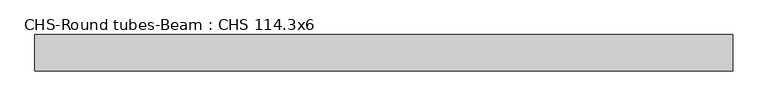
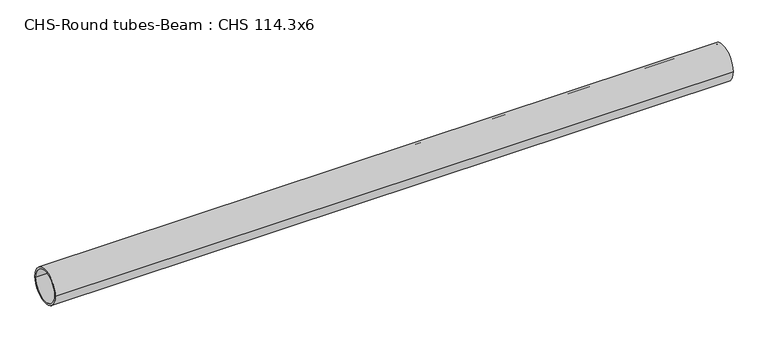
"""IFC4 building model written with IfcOpenShell, lengths in millimetres: beam geometry, CHS-Round tubes-Beam : CHS 114.3x6."""

from ifc_helpers import new_model, si_unit, point, frame, origin, origin_2d, place, context, project, spatial, circle_curve, trimmed, segment, composite_curve, outline, extrude, source, transform, mapped, element, save


def chs_round_tubes_beam_chs_114_3x6_dc7d779f(model_context):
    return source(origin(), model_context, "Body", "SweptSolid", [
        extrude(outline(composite_curve([segment(trimmed(circle_curve(origin_2d(), 57.15), [point((57.15, 0.0))], [point((-57.15, 0.0))], False, "CARTESIAN"), True, "CONTINUOUS"), segment(trimmed(circle_curve(origin_2d(), 57.15), [point((-57.15, 0.0))], [point((57.15, 0.0))], False, "CARTESIAN"), True, "CONTINUOUS")], self_intersect=False), holes=[composite_curve([segment(trimmed(circle_curve(origin_2d(), 51.15), [point((51.15, 0.0))], [point((-51.15, 0.0))], True, "CARTESIAN"), True, "CONTINUOUS"), segment(trimmed(circle_curve(origin_2d(), 51.15), [point((-51.15, 0.0))], [point((51.15, 0.0))], True, "CARTESIAN"), True, "CONTINUOUS")], self_intersect=False)]), frame((-1078.1840944, 0.0, 0.0), z_axis=(1.0, 0.0, 0.0), x_axis=(0.0, 1.0, 0.0)), (0.0, 0.0, 1.0), 2192.3411229),
    ])


if __name__ == "__main__":
    model = new_model("IFC4")
    model_context = context("Model", 3, world=origin())
    ifc_project = project(units=[si_unit("LENGTHUNIT", "METRE", prefix="MILLI")], contexts=[model_context])
    site = spatial("IfcSite", under=ifc_project)
    building = spatial("IfcBuilding", under=site)
    placement = place(None, origin())
    chs_round_tubes_beam_chs_114_3x6_shape = chs_round_tubes_beam_chs_114_3x6_dc7d779f(model_context)
    element("IfcBeam", 1, ObjectType="CHS-Round tubes-Beam : CHS 114.3x6", at=placement, inside=building, context=model_context, shape_type="MappedRepresentation", body=[
        mapped(chs_round_tubes_beam_chs_114_3x6_shape, transform((0.0, 0.0, 0.0), x_axis=(1.0, 0.0, 0.0), y_axis=(0.0, 1.0, 0.0), z_axis=(0.0, 0.0, 1.0))),
    ])
    save(model, "model.ifc")
